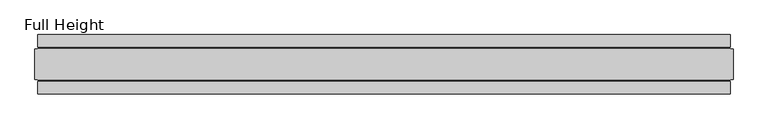
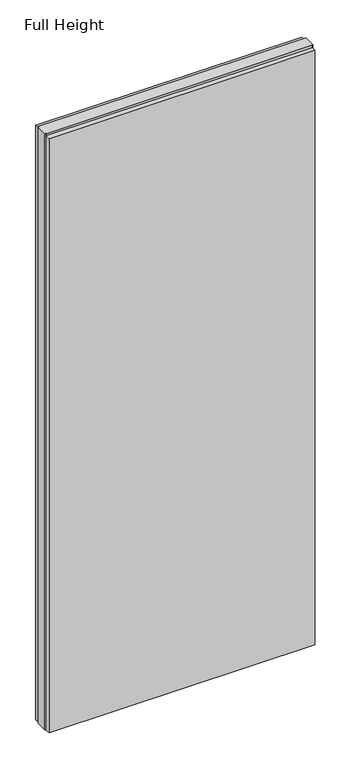
"""IFC4 building model written with IfcOpenShell, lengths in millimetres: plate geometry, Full Height."""

from ifc_helpers import new_model, si_unit, origin, origin_with_axes, place, context, project, spatial, polyline, outline, extrude, source, transform, mapped, element, save


def full_height_0e27406b(model_context):
    return source(origin(), model_context, "Body", "SweptSolid", [
        extrude(outline(polyline([(579.6284406, 28.956), (-579.6284406, 28.956), (-579.6284406, 49.53), (579.6284406, 49.53), (579.6284406, 28.956)])), origin_with_axes(), (0.0, 0.0, 1.0), 2734.056),
        extrude(outline(polyline([(579.6284406, -28.956), (579.6284406, -49.53), (-579.6284406, -49.53), (-579.6284406, -28.956), (579.6284406, -28.956)])), origin_with_axes(), (0.0, 0.0, 1.0), 2734.056),
        extrude(outline(polyline([(579.6284406, -25.146), (579.6284406, -26.67), (-579.6284406, -26.67), (-579.6284406, -25.146), (-584.2004406, -25.146), (-584.2004406, 25.146), (-579.6284406, 25.146), (-579.6284406, 26.67), (579.6284406, 26.67), (579.6284406, 25.146), (584.2004406, 25.146), (584.2004406, -25.146), (579.6284406, -25.146)])), origin_with_axes(), (0.0, 0.0, 1.0), 2743.2),
    ])


if __name__ == "__main__":
    model = new_model("IFC4")
    model_context = context("Model", 3, world=origin())
    ifc_project = project(units=[si_unit("LENGTHUNIT", "METRE", prefix="MILLI")], contexts=[model_context])
    site = spatial("IfcSite", under=ifc_project)
    building = spatial("IfcBuilding", under=site)
    placement = place(None, origin())
    full_height_shape = full_height_0e27406b(model_context)
    element("IfcPlate", 1, ObjectType="Full Height", at=placement, inside=building, context=model_context, shape_type="MappedRepresentation", body=[
        mapped(full_height_shape, transform((0.0, 0.0, 0.0), x_axis=(1.0, 0.0, 0.0), y_axis=(0.0, 1.0, 0.0), z_axis=(0.0, 0.0, 1.0))),
    ])
    save(model, "model.ifc")
